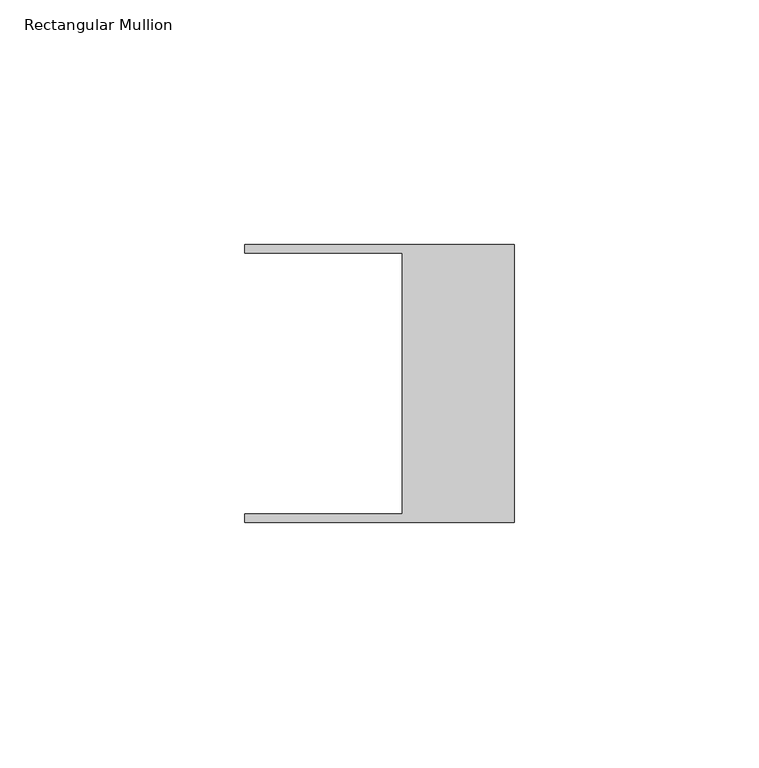
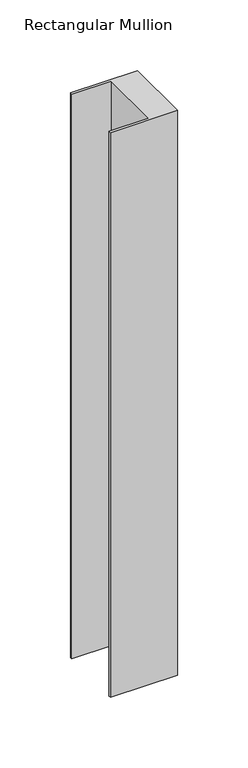
"""IFC4 building model written with IfcOpenShell, lengths in millimetres: member geometry, Rectangular Mullion."""

from ifc_helpers import new_model, si_unit, frame, origin, place, context, project, spatial, polyline, outline, extrude, source, transform, mapped, element, save


def rectangular_mullion_56d6b836(model_context):
    return source(origin(), model_context, "Body", "SweptSolid", [
        extrude(outline(polyline([(-55.118, 26.67), (-55.118, 28.448), (0.0, 28.448), (0.0, -28.448), (-55.118, -28.448), (-55.118, -26.67), (-22.86, -26.67), (-22.86, 26.67), (-55.118, 26.67)])), frame((0.0, 0.0, -488.95), z_axis=(0.0, 0.0, 1.0), x_axis=(1.0, 0.0, 0.0)), (0.0, 0.0, 1.0), 488.95),
    ])


if __name__ == "__main__":
    model = new_model("IFC4")
    model_context = context("Model", 3, world=origin())
    ifc_project = project(units=[si_unit("LENGTHUNIT", "METRE", prefix="MILLI")], contexts=[model_context])
    site = spatial("IfcSite", under=ifc_project)
    building = spatial("IfcBuilding", under=site)
    placement = place(None, origin())
    rectangular_mullion_shape = rectangular_mullion_56d6b836(model_context)
    element("IfcMember", 1, ObjectType="Rectangular Mullion", at=placement, inside=building, context=model_context, shape_type="MappedRepresentation", body=[
        mapped(rectangular_mullion_shape, transform((0.0, 0.0, 0.0), x_axis=(1.0, 0.0, 0.0), y_axis=(0.0, 1.0, 0.0), z_axis=(0.0, 0.0, 1.0))),
    ])
    save(model, "model.ifc")
